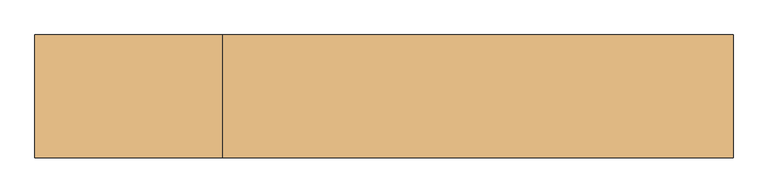
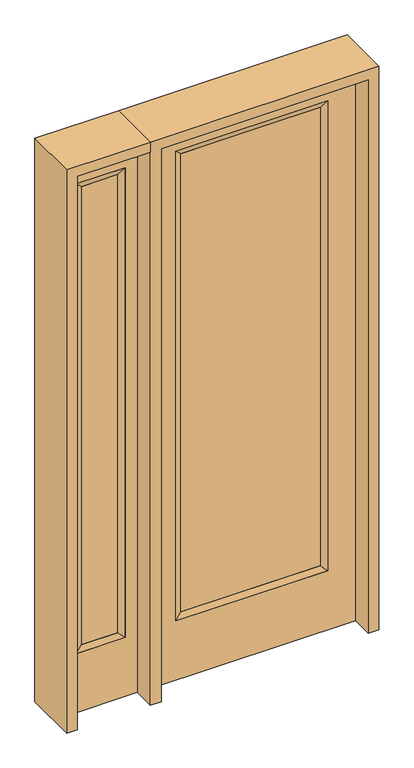
"""IFC4 building model written with IfcOpenShell, lengths in millimetres: door geometry."""

from ifc_helpers import new_model, si_unit, frame, origin, place, context, project, spatial, polyline, outline, extrude, faceted_brep, source, transform, mapped, element, save


def door_cb85b77a(model_context):
    return source(origin(), model_context, "Body", "SolidModel", [
        extrude(outline(polyline([(290.9824, -12.7039749), (-290.9824, -12.7039749), (-290.9824, 14.2875), (290.9824, 14.2875), (290.9824, -12.7039749)])), frame((0.0, 0.0, 285.75), z_axis=(0.0, 0.0, 1.0), x_axis=(1.0, 0.0, 0.0)), (0.0, 0.0, 1.0), 2019.3),
        faceted_brep([(290.9824, 14.2875, 2305.05), (316.3824, 22.225, 2330.45), (316.3824, 22.225, 260.35), (290.9824, 14.2875, 285.75), (316.3824, -22.225, 2330.45), (316.3824, -22.225, 260.35), (-316.3824, 22.225, 260.35), (-290.9824, 14.2875, 285.75), (290.9824, -12.7039749, 2305.05), (290.9824, -12.7039749, 285.75), (-290.9824, -12.7039749, 285.75), (-316.3824, -22.225, 260.35), (-316.3824, 22.225, 2330.45), (-290.9824, 14.2875, 2305.05), (-290.9824, -12.7039749, 2305.05), (-316.3824, -22.225, 2330.45)], [[[0, 1, 2, 3]], [[1, 4, 5, 2]], [[3, 2, 6, 7]], [[8, 0, 3, 9]], [[9, 3, 7, 10]], [[4, 8, 9, 5]], [[5, 9, 10, 11]], [[2, 5, 11, 6]], [[7, 6, 12, 13]], [[10, 7, 13, 14]], [[11, 10, 14, 15]], [[6, 11, 15, 12]], [[13, 12, 1, 0]], [[14, 13, 0, 8]], [[15, 14, 8, 4]], [[12, 15, 4, 1]]]),
        extrude(outline(polyline([(0.0, -431.8), (0.0, 431.8), (2438.4, 431.8), (2438.4, -431.8), (0.0, -431.8)]), holes=[polyline([(260.35, -316.3824), (2330.45, -316.3824), (2330.45, 316.3824), (260.35, 316.3824), (260.35, -316.3824)])]), frame((0.0, -22.225, 0.0), z_axis=(0.0, 1.0, 0.0), x_axis=(0.0, 0.0, 1.0)), (0.0, 0.0, 1.0), 44.45),
        faceted_brep([(-527.05, 20.6375, 2330.45), (-527.05, -20.6375, 2330.45), (-527.05, -20.6375, 260.35), (-527.05, 20.6375, 260.35), (-552.45, -12.7, 2305.05), (-552.45, -12.7, 285.75), (-730.25, -20.6375, 260.35), (-730.25, 20.6375, 260.35), (-552.45, 12.7, 2305.05), (-552.45, 12.7, 285.75), (-704.85, 12.7, 285.75), (-704.85, -12.7, 285.75), (-730.25, -20.6375, 2330.45), (-730.25, 20.6375, 2330.45), (-704.85, 12.7, 2305.05), (-704.85, -12.7, 2305.05)], [[[0, 1, 2, 3]], [[1, 4, 5, 2]], [[3, 2, 6, 7]], [[8, 0, 3, 9]], [[9, 3, 7, 10]], [[4, 8, 9, 5]], [[5, 9, 10, 11]], [[2, 5, 11, 6]], [[7, 6, 12, 13]], [[10, 7, 13, 14]], [[11, 10, 14, 15]], [[6, 11, 15, 12]], [[13, 12, 1, 0]], [[14, 13, 0, 8]], [[15, 14, 8, 4]], [[12, 15, 4, 1]]]),
        extrude(outline(polyline([(0.0, -781.05), (0.0, -476.25), (2438.4, -476.25), (2438.4, -781.05), (0.0, -781.05)]), holes=[polyline([(2330.45, -527.05), (260.35, -527.05), (260.35, -730.25), (2330.45, -730.25), (2330.45, -527.05)])]), frame((0.0, -20.6375, 0.0), z_axis=(0.0, 1.0, 0.0), x_axis=(0.0, 0.0, 1.0)), (0.0, 0.0, 1.0), 41.275),
        extrude(outline(polyline([(-552.45, -12.7), (-704.85, -12.7), (-704.85, 12.7), (-552.45, 12.7), (-552.45, -12.7)])), frame((0.0, 0.0, 284.95625), z_axis=(0.0, 0.0, 1.0), x_axis=(1.0, 0.0, 0.0)), (0.0, 0.0, 1.0), 2020.09375),
        extrude(outline(polyline([(2438.4, -476.25), (2482.85, -476.25), (2482.85, -825.5), (0.0, -825.5), (0.0, -781.05), (2438.4, -781.05), (2438.4, -476.25)])), frame((0.0, -114.3, 0.0), z_axis=(0.0, 1.0, 0.0), x_axis=(0.0, 0.0, 1.0)), (0.0, 0.0, 1.0), 228.6),
        extrude(outline(polyline([(2482.85, -476.25), (0.0, -476.25), (0.0, -431.8), (2438.4, -431.8), (2438.4, 431.8), (0.0, 431.8), (0.0, 476.25), (2482.85, 476.25), (2482.85, -476.25)])), frame((0.0, -114.3, 0.0), z_axis=(0.0, 1.0, 0.0), x_axis=(0.0, 0.0, 1.0)), (0.0, 0.0, 1.0), 228.6),
    ])


if __name__ == "__main__":
    model = new_model("IFC4")
    model_context = context("Model", 3, world=origin())
    ifc_project = project(units=[si_unit("LENGTHUNIT", "METRE", prefix="MILLI")], contexts=[model_context])
    site = spatial("IfcSite", under=ifc_project)
    building = spatial("IfcBuilding", under=site)
    placement = place(None, origin())
    door_shape = door_cb85b77a(model_context)
    element("IfcDoor", 1, at=placement, inside=building, context=model_context, shape_type="MappedRepresentation", body=[
        mapped(door_shape, transform((0.0, 0.0, 0.0), x_axis=(1.0, 0.0, 0.0), y_axis=(0.0, 1.0, 0.0), z_axis=(0.0, 0.0, 1.0))),
    ])
    save(model, "model.ifc")
